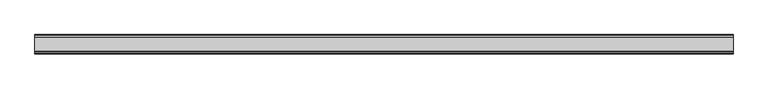
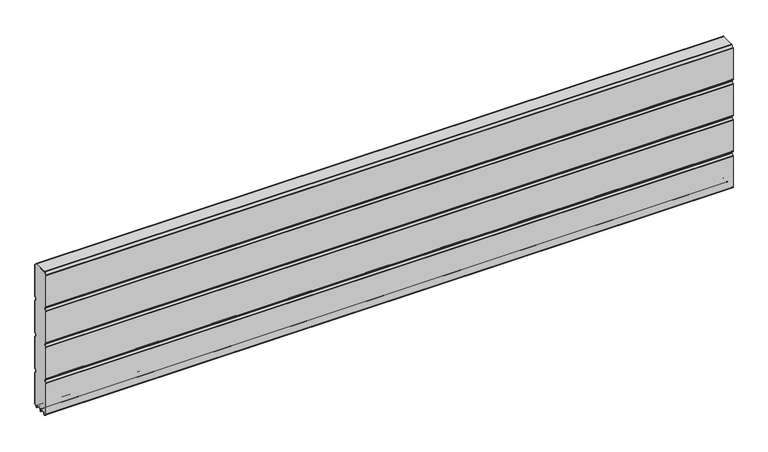
"""IFC4 building model written with IfcOpenShell, lengths in millimetres: plate geometry."""

from ifc_helpers import new_model, si_unit, point, frame, frame_2d, origin, place, context, project, spatial, polyline, circle_curve, trimmed, segment, composite_curve, outline, extrude, source, transform, mapped, element, save


def plate_0d1a9680(model_context):
    return source(origin(), model_context, "Body", "SweptSolid", [
        extrude(outline(composite_curve([segment(polyline([(-29.2650466, 451.7624879), (-35.7138292, 458.2112702)]), True, "CONTINUOUS"), segment(trimmed(circle_curve(frame_2d((-34.2991913, 459.6259081)), 2.0006001), [point((-35.7138292, 458.2112702))], [point((-36.2997914, 459.6259081))], False, "CARTESIAN"), True, "CONTINUOUS"), segment(polyline([(-36.2997914, 459.6259081), (-36.2997914, 588.874925)]), True, "CONTINUOUS"), segment(trimmed(circle_curve(frame_2d((-34.3025404, 588.8763112)), 1.9972515), [point((-36.2997914, 588.874925))], [point((-35.7145328, 590.2888589))], False, "CARTESIAN"), True, "CONTINUOUS"), segment(polyline([(-35.7145328, 590.2888589), (-27.7860861, 598.2141893)]), True, "CONTINUOUS"), segment(trimmed(circle_curve(frame_2d((-26.3717262, 596.7992733)), 2.0006002), [point((-27.7860861, 598.2141893))], [point((-26.3717262, 598.7998734))], False, "CARTESIAN"), True, "CONTINUOUS"), segment(polyline([(-26.3717262, 598.7998734), (26.3717262, 598.7998734)]), True, "CONTINUOUS"), segment(trimmed(circle_curve(frame_2d((26.3717262, 596.7992733)), 2.0006002), [point((26.3717262, 598.7998734))], [point((27.7860861, 598.2141893))], False, "CARTESIAN"), True, "CONTINUOUS"), segment(polyline([(27.7860861, 598.2141893), (35.7145328, 590.2888589)]), True, "CONTINUOUS"), segment(trimmed(circle_curve(frame_2d((34.3025404, 588.8763112)), 1.9972515), [point((35.7145328, 590.2888589))], [point((36.2997914, 588.874925))], False, "CARTESIAN"), True, "CONTINUOUS"), segment(polyline([(36.2997914, 588.874925), (36.2997914, 459.6259081)]), True, "CONTINUOUS"), segment(trimmed(circle_curve(frame_2d((34.2991913, 459.6259081)), 2.0006001), [point((36.2997914, 459.6259081))], [point((35.7138292, 458.2112702))], False, "CARTESIAN"), True, "CONTINUOUS"), segment(polyline([(35.7138292, 458.2112702), (29.2650466, 451.7624879)]), True, "CONTINUOUS"), segment(trimmed(circle_curve(frame_2d((31.5325895, 449.4949449)), 3.20679), [point((29.2650466, 451.7624879))], [point((29.114664, 447.3884934))], True, "CARTESIAN"), True, "CONTINUOUS"), segment(polyline([(29.114664, 447.3884934), (35.7138291, 440.7893285)]), True, "CONTINUOUS"), segment(trimmed(circle_curve(frame_2d((34.2991912, 439.3746906)), 2.0006001), [point((35.7138291, 440.7893285))], [point((36.2997913, 439.3746906))], False, "CARTESIAN"), True, "CONTINUOUS"), segment(polyline([(36.2997913, 439.3746906), (36.2997913, 309.6259081)]), True, "CONTINUOUS"), segment(trimmed(circle_curve(frame_2d((34.2991912, 309.6259081)), 2.0006001), [point((36.2997913, 309.6259081))], [point((35.7138291, 308.2112702))], False, "CARTESIAN"), True, "CONTINUOUS"), segment(polyline([(35.7138291, 308.2112702), (29.2650466, 301.7624879)]), True, "CONTINUOUS"), segment(trimmed(circle_curve(frame_2d((31.5325895, 299.4949449)), 3.20679), [point((29.2650466, 301.7624879))], [point((29.4261379, 297.0770195))], True, "CARTESIAN"), True, "CONTINUOUS"), segment(polyline([(29.4261379, 297.0770195), (35.7138291, 290.7893285)]), True, "CONTINUOUS"), segment(trimmed(circle_curve(frame_2d((34.2991912, 289.3746906)), 2.0006001), [point((35.7138291, 290.7893285))], [point((36.2997913, 289.3746906))], False, "CARTESIAN"), True, "CONTINUOUS"), segment(polyline([(36.2997913, 289.3746906), (36.2997913, 159.6246474)]), True, "CONTINUOUS"), segment(trimmed(circle_curve(frame_2d((34.2991912, 159.6246474)), 2.0006001), [point((36.2997913, 159.6246474))], [point((35.7138291, 158.2100095))], False, "CARTESIAN"), True, "CONTINUOUS"), segment(polyline([(35.7138291, 158.2100095), (29.2650466, 151.7612271)]), True, "CONTINUOUS"), segment(trimmed(circle_curve(frame_2d((31.5325895, 149.4936842)), 3.20679), [point((29.2650466, 151.7612271))], [point((29.114664, 147.3872326))], True, "CARTESIAN"), True, "CONTINUOUS"), segment(polyline([(29.114664, 147.3872326), (35.7138292, 140.7880678)]), True, "CONTINUOUS"), segment(trimmed(circle_curve(frame_2d((34.2991912, 139.3734299)), 2.0006001), [point((35.7138292, 140.7880678))], [point((36.2997914, 139.3734299))], False, "CARTESIAN"), True, "CONTINUOUS"), segment(polyline([(36.2997914, 139.3734299), (36.2997914, 10.1250796)]), True, "CONTINUOUS"), segment(trimmed(circle_curve(frame_2d((34.299192, 10.1250796)), 2.0005994), [point((36.2997914, 10.1250796))], [point((35.7138294, 8.7104422))], False, "CARTESIAN"), True, "CONTINUOUS"), segment(polyline([(35.7138294, 8.7104422), (28.7893255, 1.7859383)]), True, "CONTINUOUS"), segment(trimmed(circle_curve(frame_2d((27.3158157, 3.2594482)), 2.0838576), [point((28.7893255, 1.7859383))], [point((25.2327947, 3.2004014))], False, "CARTESIAN"), True, "CONTINUOUS"), segment(polyline([(25.2327947, 3.2004014), (25.2327947, 7.9999453)]), True, "CONTINUOUS"), segment(trimmed(circle_curve(frame_2d((22.0323933, 7.9999453)), 3.2004014), [point((25.2327947, 7.9999453))], [point((22.0323933, 11.2003467))], True, "CARTESIAN"), True, "CONTINUOUS"), segment(polyline([(22.0323933, 11.2003467), (3.1993432, 11.2003467)]), True, "CONTINUOUS"), segment(trimmed(circle_curve(frame_2d((3.1993432, 8.0010035)), 3.1993432), [point((3.1993432, 11.2003467))], [point((0.0, 8.0010035))], True, "CARTESIAN"), True, "CONTINUOUS"), segment(trimmed(circle_curve(frame_2d((-3.1993432, 8.0010035)), 3.1993432), [point((0.0, 8.0010035))], [point((-3.1993432, 11.2003467))], True, "CARTESIAN"), True, "CONTINUOUS"), segment(polyline([(-3.1993432, 11.2003467), (-22.0323933, 11.2003467)]), True, "CONTINUOUS"), segment(trimmed(circle_curve(frame_2d((-22.0323933, 7.9999453)), 3.2004014), [point((-22.0323933, 11.2003467))], [point((-25.2327947, 7.9999453))], True, "CARTESIAN"), True, "CONTINUOUS"), segment(polyline([(-25.2327947, 7.9999453), (-25.2327947, 3.2004014)]), True, "CONTINUOUS"), segment(trimmed(circle_curve(frame_2d((-27.3158157, 3.2594482)), 2.0838576), [point((-25.2327947, 3.2004014))], [point((-28.7893255, 1.7859383))], False, "CARTESIAN"), True, "CONTINUOUS"), segment(polyline([(-28.7893255, 1.7859383), (-35.7138294, 8.7104422)]), True, "CONTINUOUS"), segment(trimmed(circle_curve(frame_2d((-34.299192, 10.1250796)), 2.0005994), [point((-35.7138294, 8.7104422))], [point((-36.2997914, 10.1250796))], False, "CARTESIAN"), True, "CONTINUOUS"), segment(polyline([(-36.2997914, 10.1250796), (-36.2997914, 139.3734299)]), True, "CONTINUOUS"), segment(trimmed(circle_curve(frame_2d((-34.2991912, 139.3734299)), 2.0006001), [point((-36.2997914, 139.3734299))], [point((-35.7138292, 140.7880678))], False, "CARTESIAN"), True, "CONTINUOUS"), segment(polyline([(-35.7138292, 140.7880678), (-29.114664, 147.3872326)]), True, "CONTINUOUS"), segment(trimmed(circle_curve(frame_2d((-31.5325895, 149.4936842)), 3.20679), [point((-29.114664, 147.3872326))], [point((-29.2650466, 151.7612271))], True, "CARTESIAN"), True, "CONTINUOUS"), segment(polyline([(-29.2650466, 151.7612271), (-35.7138291, 158.2100095)]), True, "CONTINUOUS"), segment(trimmed(circle_curve(frame_2d((-34.2991912, 159.6246474)), 2.0006001), [point((-35.7138291, 158.2100095))], [point((-36.2997913, 159.6246474))], False, "CARTESIAN"), True, "CONTINUOUS"), segment(polyline([(-36.2997913, 159.6246474), (-36.2997913, 289.3746906)]), True, "CONTINUOUS"), segment(trimmed(circle_curve(frame_2d((-34.2991912, 289.3746906)), 2.0006001), [point((-36.2997913, 289.3746906))], [point((-35.7138291, 290.7893285))], False, "CARTESIAN"), True, "CONTINUOUS"), segment(polyline([(-35.7138291, 290.7893285), (-29.4261379, 297.0770195)]), True, "CONTINUOUS"), segment(trimmed(circle_curve(frame_2d((-31.5325895, 299.4949449)), 3.20679), [point((-29.4261379, 297.0770195))], [point((-29.2650466, 301.7624879))], True, "CARTESIAN"), True, "CONTINUOUS"), segment(polyline([(-29.2650466, 301.7624879), (-35.7138291, 308.2112702)]), True, "CONTINUOUS"), segment(trimmed(circle_curve(frame_2d((-34.2991912, 309.6259081)), 2.0006001), [point((-35.7138291, 308.2112702))], [point((-36.2997913, 309.6259081))], False, "CARTESIAN"), True, "CONTINUOUS"), segment(polyline([(-36.2997913, 309.6259081), (-36.2997913, 439.3746906)]), True, "CONTINUOUS"), segment(trimmed(circle_curve(frame_2d((-34.2991912, 439.3746906)), 2.0006001), [point((-36.2997913, 439.3746906))], [point((-35.7138291, 440.7893285))], False, "CARTESIAN"), True, "CONTINUOUS"), segment(polyline([(-35.7138291, 440.7893285), (-29.114664, 447.3884934)]), True, "CONTINUOUS"), segment(trimmed(circle_curve(frame_2d((-31.5325895, 449.4949449)), 3.20679), [point((-29.114664, 447.3884934))], [point((-29.2650466, 451.7624879))], True, "CARTESIAN"), True, "CONTINUOUS")], self_intersect=False)), frame((-1355.0558, 0.0, 0.0), z_axis=(1.0, 0.0, 0.0), x_axis=(0.0, 1.0, 0.0)), (0.0, 0.0, 1.0), 2710.1116),
        extrude(outline(composite_curve([segment(trimmed(circle_curve(frame_2d((-34.299418, 588.8742584)), 3.200524), [point((-37.499942, 588.8742584))], [point((-36.5622582, 591.1376426))], False, "CARTESIAN"), True, "CONTINUOUS"), segment(polyline([(-36.5622582, 591.1376426), (-28.6355395, 599.0624563)]), True, "CONTINUOUS"), segment(trimmed(circle_curve(frame_2d((-26.3720296, 596.7984023)), 3.2014711), [point((-28.6355395, 599.0624563))], [point((-26.3720296, 599.9998734))], False, "CARTESIAN"), True, "CONTINUOUS"), segment(polyline([(-26.3720296, 599.9998734), (26.3720296, 599.9998734)]), True, "CONTINUOUS"), segment(trimmed(circle_curve(frame_2d((26.3720296, 596.7984023)), 3.2014711), [point((26.3720296, 599.9998734))], [point((28.6355395, 599.0624563))], False, "CARTESIAN"), True, "CONTINUOUS"), segment(polyline([(28.6355395, 599.0624563), (36.5622582, 591.1376426)]), True, "CONTINUOUS"), segment(trimmed(circle_curve(frame_2d((34.299418, 588.8742584)), 3.200524), [point((36.5622582, 591.1376426))], [point((37.499942, 588.8742584))], False, "CARTESIAN"), True, "CONTINUOUS"), segment(polyline([(37.499942, 588.8742584), (37.499942, 459.6259081)]), True, "CONTINUOUS"), segment(trimmed(circle_curve(frame_2d((34.3010265, 459.6259081)), 3.1989155), [point((37.499942, 459.6259081))], [point((36.5630013, 457.3639333))], False, "CARTESIAN"), True, "CONTINUOUS"), segment(polyline([(36.5630013, 457.3639333), (30.1138303, 450.9147625)]), True, "CONTINUOUS"), segment(trimmed(circle_curve(frame_2d((31.5282934, 449.5002993)), 2.000353), [point((30.1138303, 450.9147625))], [point((30.1138303, 448.0858362))], True, "CARTESIAN"), True, "CONTINUOUS"), segment(polyline([(30.1138303, 448.0858362), (36.5630013, 441.6366654)]), True, "CONTINUOUS"), segment(trimmed(circle_curve(frame_2d((34.3010265, 439.3746906)), 3.1989154), [point((36.5630013, 441.6366654))], [point((37.4999419, 439.3746906))], False, "CARTESIAN"), True, "CONTINUOUS"), segment(polyline([(37.4999419, 439.3746906), (37.4999419, 309.6259081)]), True, "CONTINUOUS"), segment(trimmed(circle_curve(frame_2d((34.3010265, 309.6259081)), 3.1989154), [point((37.4999419, 309.6259081))], [point((36.5630013, 307.3639333))], False, "CARTESIAN"), True, "CONTINUOUS"), segment(polyline([(36.5630013, 307.3639333), (30.1138303, 300.9147625)]), True, "CONTINUOUS"), segment(trimmed(circle_curve(frame_2d((31.5282934, 299.5002993)), 2.000353), [point((30.1138303, 300.9147625))], [point((30.1138303, 298.0858362))], True, "CARTESIAN"), True, "CONTINUOUS"), segment(polyline([(30.1138303, 298.0858362), (36.5630013, 291.6366654)]), True, "CONTINUOUS"), segment(trimmed(circle_curve(frame_2d((34.3010265, 289.3746906)), 3.1989154), [point((36.5630013, 291.6366654))], [point((37.4999419, 289.3746906))], False, "CARTESIAN"), True, "CONTINUOUS"), segment(polyline([(37.4999419, 289.3746906), (37.4999419, 159.6246474)]), True, "CONTINUOUS"), segment(trimmed(circle_curve(frame_2d((34.3010265, 159.6246474)), 3.1989154), [point((37.4999419, 159.6246474))], [point((36.5630013, 157.3626726))], False, "CARTESIAN"), True, "CONTINUOUS"), segment(polyline([(36.5630013, 157.3626726), (30.1138303, 150.9135018)]), True, "CONTINUOUS"), segment(trimmed(circle_curve(frame_2d((31.5282934, 149.4990386)), 2.000353), [point((30.1138303, 150.9135018))], [point((30.1138303, 148.0845755))], True, "CARTESIAN"), True, "CONTINUOUS"), segment(polyline([(30.1138303, 148.0845755), (36.5630013, 141.6354046)]), True, "CONTINUOUS"), segment(trimmed(circle_curve(frame_2d((34.3010265, 139.3734298)), 3.1989154), [point((36.5630013, 141.6354046))], [point((37.4999419, 139.3734298))], False, "CARTESIAN"), True, "CONTINUOUS"), segment(polyline([(37.4999419, 139.3734298), (37.4999419, 10.1250796)]), True, "CONTINUOUS"), segment(trimmed(circle_curve(frame_2d((34.3010265, 10.1250796)), 3.1989154), [point((37.4999419, 10.1250796))], [point((36.5630004, 7.8631039))], False, "CARTESIAN"), True, "CONTINUOUS"), segment(polyline([(36.5630004, 7.8631039), (29.6332576, 0.9333666)]), True, "CONTINUOUS"), segment(trimmed(circle_curve(frame_2d((27.311397, 3.255229)), 3.283608), [point((29.6332576, 0.9333666))], [point((24.0283217, 3.1960843))], False, "CARTESIAN"), True, "CONTINUOUS"), segment(polyline([(24.0283217, 3.1960843), (24.0326442, 7.9999453)]), True, "CONTINUOUS"), segment(trimmed(circle_curve(frame_2d((22.0341915, 8.0017435)), 1.9984535), [point((24.0326442, 7.9999453))], [point((22.0323933, 10.0001962))], True, "CARTESIAN"), True, "CONTINUOUS"), segment(polyline([(22.0323933, 10.0001962), (3.1993432, 10.0001962)]), True, "CONTINUOUS"), segment(trimmed(circle_curve(frame_2d((3.1993432, 8.0010035)), 1.9991927), [point((3.1993432, 10.0001962))], [point((1.2001505, 8.0010035))], True, "CARTESIAN"), True, "CONTINUOUS"), segment(polyline([(1.2001505, 8.0010035), (1.2001504, 0.0), (0.0, 0.0), (-1.2001504, 0.0), (-1.2001504, 8.0010034)]), True, "CONTINUOUS"), segment(trimmed(circle_curve(frame_2d((-3.1993432, 8.0010035)), 1.9991928), [point((-1.2001504, 8.0010034))], [point((-3.1993432, 10.0001963))], True, "CARTESIAN"), True, "CONTINUOUS"), segment(polyline([(-3.1993432, 10.0001963), (-22.0323933, 10.0001962)]), True, "CONTINUOUS"), segment(trimmed(circle_curve(frame_2d((-22.0341915, 8.0017435)), 1.9984535), [point((-22.0323933, 10.0001962))], [point((-24.0326442, 7.9999453))], True, "CARTESIAN"), True, "CONTINUOUS"), segment(polyline([(-24.0326442, 7.9999453), (-24.0283217, 3.1960843)]), True, "CONTINUOUS"), segment(trimmed(circle_curve(frame_2d((-27.311397, 3.255229)), 3.283608), [point((-24.0283217, 3.1960843))], [point((-29.6332576, 0.9333666))], False, "CARTESIAN"), True, "CONTINUOUS"), segment(polyline([(-29.6332576, 0.9333666), (-36.5630004, 7.8631039)]), True, "CONTINUOUS"), segment(trimmed(circle_curve(frame_2d((-34.3010265, 10.1250796)), 3.1989154), [point((-36.5630004, 7.8631039))], [point((-37.4999419, 10.1250796))], False, "CARTESIAN"), True, "CONTINUOUS"), segment(polyline([(-37.4999419, 10.1250796), (-37.4999419, 139.3734298)]), True, "CONTINUOUS"), segment(trimmed(circle_curve(frame_2d((-34.3010265, 139.3734298)), 3.1989154), [point((-37.4999419, 139.3734298))], [point((-36.5630013, 141.6354046))], False, "CARTESIAN"), True, "CONTINUOUS"), segment(polyline([(-36.5630013, 141.6354046), (-30.1138303, 148.0845755)]), True, "CONTINUOUS"), segment(trimmed(circle_curve(frame_2d((-31.5282934, 149.4990386)), 2.000353), [point((-30.1138303, 148.0845755))], [point((-30.1138303, 150.9135018))], True, "CARTESIAN"), True, "CONTINUOUS"), segment(polyline([(-30.1138303, 150.9135018), (-36.5630013, 157.3626726)]), True, "CONTINUOUS"), segment(trimmed(circle_curve(frame_2d((-34.3010265, 159.6246474)), 3.1989154), [point((-36.5630013, 157.3626726))], [point((-37.4999419, 159.6246474))], False, "CARTESIAN"), True, "CONTINUOUS"), segment(polyline([(-37.4999419, 159.6246474), (-37.4999419, 289.3746906)]), True, "CONTINUOUS"), segment(trimmed(circle_curve(frame_2d((-34.3010265, 289.3746906)), 3.1989154), [point((-37.4999419, 289.3746906))], [point((-36.5630013, 291.6366653))], False, "CARTESIAN"), True, "CONTINUOUS"), segment(polyline([(-36.5630013, 291.6366653), (-30.1138303, 298.0858362)]), True, "CONTINUOUS"), segment(trimmed(circle_curve(frame_2d((-31.5282934, 299.5002993)), 2.000353), [point((-30.1138303, 298.0858362))], [point((-30.1138303, 300.9147625))], True, "CARTESIAN"), True, "CONTINUOUS"), segment(polyline([(-30.1138303, 300.9147625), (-36.5630013, 307.3639333)]), True, "CONTINUOUS"), segment(trimmed(circle_curve(frame_2d((-34.3010265, 309.6259081)), 3.1989154), [point((-36.5630013, 307.3639333))], [point((-37.4999419, 309.6259081))], False, "CARTESIAN"), True, "CONTINUOUS"), segment(polyline([(-37.4999419, 309.6259081), (-37.4999419, 439.3746906)]), True, "CONTINUOUS"), segment(trimmed(circle_curve(frame_2d((-34.3010265, 439.3746906)), 3.1989154), [point((-37.4999419, 439.3746906))], [point((-36.5630013, 441.6366653))], False, "CARTESIAN"), True, "CONTINUOUS"), segment(polyline([(-36.5630013, 441.6366653), (-30.1138303, 448.0858362)]), True, "CONTINUOUS"), segment(trimmed(circle_curve(frame_2d((-31.5282934, 449.5002993)), 2.000353), [point((-30.1138303, 448.0858362))], [point((-30.1138303, 450.9147625))], True, "CARTESIAN"), True, "CONTINUOUS"), segment(polyline([(-30.1138303, 450.9147625), (-36.5630013, 457.3639333)]), True, "CONTINUOUS"), segment(trimmed(circle_curve(frame_2d((-34.3010265, 459.6259081)), 3.1989155), [point((-36.5630013, 457.3639333))], [point((-37.499942, 459.6259081))], False, "CARTESIAN"), True, "CONTINUOUS"), segment(polyline([(-37.499942, 459.6259081), (-37.499942, 588.8742584)]), True, "CONTINUOUS")], self_intersect=False), holes=[composite_curve([segment(trimmed(circle_curve(frame_2d((-31.5325895, 449.4949449)), 3.20679), [point((-29.2650466, 451.7624879))], [point((-29.114664, 447.3884934))], False, "CARTESIAN"), True, "CONTINUOUS"), segment(polyline([(-29.114664, 447.3884934), (-35.7138291, 440.7893285)]), True, "CONTINUOUS"), segment(trimmed(circle_curve(frame_2d((-34.2991912, 439.3746906)), 2.0006001), [point((-35.7138291, 440.7893285))], [point((-36.2997913, 439.3746906))], True, "CARTESIAN"), True, "CONTINUOUS"), segment(polyline([(-36.2997913, 439.3746906), (-36.2997913, 309.6259081)]), True, "CONTINUOUS"), segment(trimmed(circle_curve(frame_2d((-34.2991912, 309.6259081)), 2.0006001), [point((-36.2997913, 309.6259081))], [point((-35.7138291, 308.2112702))], True, "CARTESIAN"), True, "CONTINUOUS"), segment(polyline([(-35.7138291, 308.2112702), (-29.2650466, 301.7624879)]), True, "CONTINUOUS"), segment(trimmed(circle_curve(frame_2d((-31.5325895, 299.4949449)), 3.20679), [point((-29.2650466, 301.7624879))], [point((-29.4261379, 297.0770195))], False, "CARTESIAN"), True, "CONTINUOUS"), segment(polyline([(-29.4261379, 297.0770195), (-35.7138291, 290.7893285)]), True, "CONTINUOUS"), segment(trimmed(circle_curve(frame_2d((-34.2991912, 289.3746906)), 2.0006001), [point((-35.7138291, 290.7893285))], [point((-36.2997913, 289.3746906))], True, "CARTESIAN"), True, "CONTINUOUS"), segment(polyline([(-36.2997913, 289.3746906), (-36.2997913, 159.6246474)]), True, "CONTINUOUS"), segment(trimmed(circle_curve(frame_2d((-34.2991912, 159.6246474)), 2.0006001), [point((-36.2997913, 159.6246474))], [point((-35.7138291, 158.2100095))], True, "CARTESIAN"), True, "CONTINUOUS"), segment(polyline([(-35.7138291, 158.2100095), (-29.2650466, 151.7612271)]), True, "CONTINUOUS"), segment(trimmed(circle_curve(frame_2d((-31.5325895, 149.4936842)), 3.20679), [point((-29.2650466, 151.7612271))], [point((-29.114664, 147.3872326))], False, "CARTESIAN"), True, "CONTINUOUS"), segment(polyline([(-29.114664, 147.3872326), (-35.7138292, 140.7880677)]), True, "CONTINUOUS"), segment(trimmed(circle_curve(frame_2d((-34.2991912, 139.3734298)), 2.0006001), [point((-35.7138292, 140.7880677))], [point((-36.2997914, 139.3734298))], True, "CARTESIAN"), True, "CONTINUOUS"), segment(polyline([(-36.2997914, 139.3734298), (-36.2997914, 10.1250796)]), True, "CONTINUOUS"), segment(trimmed(circle_curve(frame_2d((-34.299192, 10.1250796)), 2.0005994), [point((-36.2997914, 10.1250796))], [point((-35.7138294, 8.7104422))], True, "CARTESIAN"), True, "CONTINUOUS"), segment(polyline([(-35.7138294, 8.7104422), (-28.7893255, 1.7859383)]), True, "CONTINUOUS"), segment(trimmed(circle_curve(frame_2d((-27.3158157, 3.2594482)), 2.0838576), [point((-28.7893255, 1.7859383))], [point((-25.2327947, 3.2004014))], True, "CARTESIAN"), True, "CONTINUOUS"), segment(polyline([(-25.2327947, 3.2004014), (-25.2327947, 7.9999453)]), True, "CONTINUOUS"), segment(trimmed(circle_curve(frame_2d((-22.0323933, 7.9999453)), 3.2004014), [point((-25.2327947, 7.9999453))], [point((-22.0323933, 11.2003467))], False, "CARTESIAN"), True, "CONTINUOUS"), segment(polyline([(-22.0323933, 11.2003467), (-3.1993432, 11.2003467)]), True, "CONTINUOUS"), segment(trimmed(circle_curve(frame_2d((-3.1993432, 8.0010035)), 3.1993432), [point((-3.1993432, 11.2003467))], [point((0.0, 8.0010035))], False, "CARTESIAN"), True, "CONTINUOUS"), segment(trimmed(circle_curve(frame_2d((3.1993432, 8.0010035)), 3.1993432), [point((0.0, 8.0010035))], [point((3.1993432, 11.2003467))], False, "CARTESIAN"), True, "CONTINUOUS"), segment(polyline([(3.1993432, 11.2003467), (22.0323933, 11.2003467)]), True, "CONTINUOUS"), segment(trimmed(circle_curve(frame_2d((22.0323933, 7.9999453)), 3.2004014), [point((22.0323933, 11.2003467))], [point((25.2327947, 7.9999453))], False, "CARTESIAN"), True, "CONTINUOUS"), segment(polyline([(25.2327947, 7.9999453), (25.2327947, 3.2004014)]), True, "CONTINUOUS"), segment(trimmed(circle_curve(frame_2d((27.3158157, 3.2594482)), 2.0838576), [point((25.2327947, 3.2004014))], [point((28.7893255, 1.7859383))], True, "CARTESIAN"), True, "CONTINUOUS"), segment(polyline([(28.7893255, 1.7859383), (35.7138294, 8.7104422)]), True, "CONTINUOUS"), segment(trimmed(circle_curve(frame_2d((34.299192, 10.1250796)), 2.0005994), [point((35.7138294, 8.7104422))], [point((36.2997914, 10.1250796))], True, "CARTESIAN"), True, "CONTINUOUS"), segment(polyline([(36.2997914, 10.1250796), (36.2997914, 139.3734298)]), True, "CONTINUOUS"), segment(trimmed(circle_curve(frame_2d((34.2991912, 139.3734298)), 2.0006001), [point((36.2997914, 139.3734298))], [point((35.7138292, 140.7880678))], True, "CARTESIAN"), True, "CONTINUOUS"), segment(polyline([(35.7138292, 140.7880678), (29.114664, 147.3872326)]), True, "CONTINUOUS"), segment(trimmed(circle_curve(frame_2d((31.5325895, 149.4936842)), 3.20679), [point((29.114664, 147.3872326))], [point((29.2650466, 151.7612271))], False, "CARTESIAN"), True, "CONTINUOUS"), segment(polyline([(29.2650466, 151.7612271), (35.7138291, 158.2100095)]), True, "CONTINUOUS"), segment(trimmed(circle_curve(frame_2d((34.2991912, 159.6246474)), 2.0006001), [point((35.7138291, 158.2100095))], [point((36.2997913, 159.6246474))], True, "CARTESIAN"), True, "CONTINUOUS"), segment(polyline([(36.2997913, 159.6246474), (36.2997913, 289.3746906)]), True, "CONTINUOUS"), segment(trimmed(circle_curve(frame_2d((34.2991912, 289.3746906)), 2.0006001), [point((36.2997913, 289.3746906))], [point((35.7138291, 290.7893285))], True, "CARTESIAN"), True, "CONTINUOUS"), segment(polyline([(35.7138291, 290.7893285), (29.4261379, 297.0770195)]), True, "CONTINUOUS"), segment(trimmed(circle_curve(frame_2d((31.5325895, 299.4949449)), 3.20679), [point((29.4261379, 297.0770195))], [point((29.2650466, 301.7624879))], False, "CARTESIAN"), True, "CONTINUOUS"), segment(polyline([(29.2650466, 301.7624879), (35.7138291, 308.2112702)]), True, "CONTINUOUS"), segment(trimmed(circle_curve(frame_2d((34.2991912, 309.6259081)), 2.0006001), [point((35.7138291, 308.2112702))], [point((36.2997913, 309.6259081))], True, "CARTESIAN"), True, "CONTINUOUS"), segment(polyline([(36.2997913, 309.6259081), (36.2997913, 439.3746906)]), True, "CONTINUOUS"), segment(trimmed(circle_curve(frame_2d((34.2991912, 439.3746906)), 2.0006001), [point((36.2997913, 439.3746906))], [point((35.7138291, 440.7893285))], True, "CARTESIAN"), True, "CONTINUOUS"), segment(polyline([(35.7138291, 440.7893285), (29.114664, 447.3884934)]), True, "CONTINUOUS"), segment(trimmed(circle_curve(frame_2d((31.5325895, 449.4949449)), 3.20679), [point((29.114664, 447.3884934))], [point((29.2650466, 451.7624879))], False, "CARTESIAN"), True, "CONTINUOUS"), segment(polyline([(29.2650466, 451.7624879), (35.7138292, 458.2112702)]), True, "CONTINUOUS"), segment(trimmed(circle_curve(frame_2d((34.2991913, 459.6259081)), 2.0006001), [point((35.7138292, 458.2112702))], [point((36.2997914, 459.6259081))], True, "CARTESIAN"), True, "CONTINUOUS"), segment(polyline([(36.2997914, 459.6259081), (36.2997914, 588.874925)]), True, "CONTINUOUS"), segment(trimmed(circle_curve(frame_2d((34.3025404, 588.8763112)), 1.9972515), [point((36.2997914, 588.874925))], [point((35.7145328, 590.2888589))], True, "CARTESIAN"), True, "CONTINUOUS"), segment(polyline([(35.7145328, 590.2888589), (27.7860861, 598.2141893)]), True, "CONTINUOUS"), segment(trimmed(circle_curve(frame_2d((26.3717262, 596.7992733)), 2.0006002), [point((27.7860861, 598.2141893))], [point((26.3717262, 598.7998734))], True, "CARTESIAN"), True, "CONTINUOUS"), segment(polyline([(26.3717262, 598.7998734), (-26.3717262, 598.7998734)]), True, "CONTINUOUS"), segment(trimmed(circle_curve(frame_2d((-26.3717262, 596.7992733)), 2.0006002), [point((-26.3717262, 598.7998734))], [point((-27.7860861, 598.2141893))], True, "CARTESIAN"), True, "CONTINUOUS"), segment(polyline([(-27.7860861, 598.2141893), (-35.7145328, 590.2888589)]), True, "CONTINUOUS"), segment(trimmed(circle_curve(frame_2d((-34.3025404, 588.8763112)), 1.9972515), [point((-35.7145328, 590.2888589))], [point((-36.2997914, 588.874925))], True, "CARTESIAN"), True, "CONTINUOUS"), segment(polyline([(-36.2997914, 588.874925), (-36.2997914, 459.6259081)]), True, "CONTINUOUS"), segment(trimmed(circle_curve(frame_2d((-34.2991913, 459.6259081)), 2.0006001), [point((-36.2997914, 459.6259081))], [point((-35.7138292, 458.2112702))], True, "CARTESIAN"), True, "CONTINUOUS"), segment(polyline([(-35.7138292, 458.2112702), (-29.2650466, 451.7624879)]), True, "CONTINUOUS")], self_intersect=False)]), frame((-1355.0558, 0.0, 0.0), z_axis=(1.0, 0.0, 0.0), x_axis=(0.0, 1.0, 0.0)), (0.0, 0.0, 1.0), 2710.1116),
    ])


if __name__ == "__main__":
    model = new_model("IFC4")
    model_context = context("Model", 3, world=origin())
    ifc_project = project(units=[si_unit("LENGTHUNIT", "METRE", prefix="MILLI")], contexts=[model_context])
    site = spatial("IfcSite", under=ifc_project)
    building = spatial("IfcBuilding", under=site)
    placement = place(None, origin())
    plate_shape = plate_0d1a9680(model_context)
    element("IfcPlate", 1, at=placement, inside=building, context=model_context, shape_type="MappedRepresentation", body=[
        mapped(plate_shape, transform((0.0, 0.0, 0.0), x_axis=(1.0, 0.0, 0.0), y_axis=(0.0, 1.0, 0.0), z_axis=(0.0, 0.0, 1.0))),
    ])
    save(model, "model.ifc")
